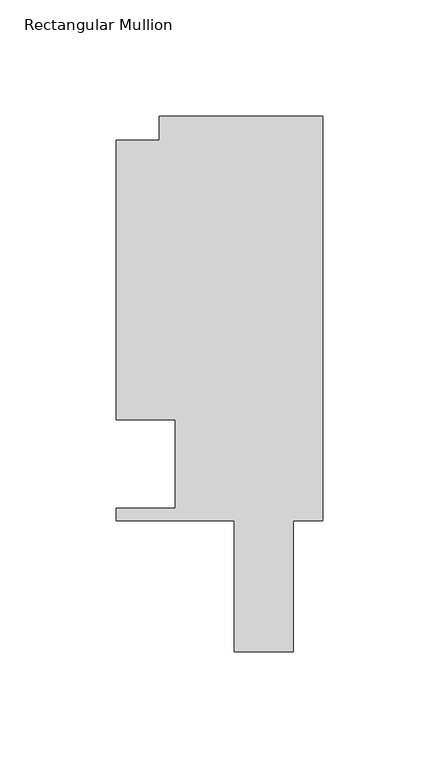
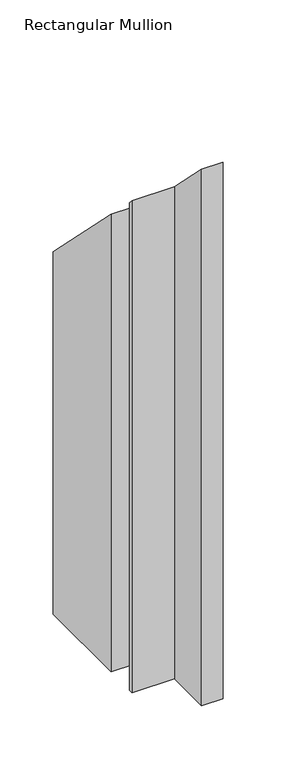
"""IFC4 building model written with IfcOpenShell, lengths in millimetres: member geometry, Rectangular Mullion."""

from ifc_helpers import new_model, si_unit, origin, place, context, project, spatial, faceted_brep, source, transform, mapped, element, save


def rectangular_mullion_d28f67f6(model_context):
    return source(origin(), model_context, "Body", "Brep", [
        faceted_brep([(0.0, 162.3059961, -610.098475), (0.0, -11.684, -610.098475), (-12.704103, -11.684, -610.098475), (-12.704103, -68.072, -610.098475), (-38.1131928, -68.072, -610.098475), (-38.1131928, -11.684, -610.098475), (-88.9131928, -11.684, -610.098475), (-88.9131928, -6.35, -610.098475), (-63.5131928, -6.35, -610.098475), (-63.5131928, 31.75, -610.098475), (-88.9131928, 31.75, -610.098475), (-88.9131928, 151.892, -610.098475), (-70.395709, 151.892, -610.098475), (-70.395709, 162.3059961, -610.098475), (-70.395709, 162.3059961, -162.3059961), (0.0, 162.3059961, -162.3059961), (-70.395709, 151.892, -151.892), (-88.9131928, 151.892, -151.892), (-88.9131928, 31.75, -31.75), (-63.5131928, 31.75, -31.75), (-63.5131928, -6.35, 6.35), (-88.9131928, -6.35, 6.35), (-88.9131928, -11.684, 11.684), (-38.1131928, -11.684, 11.684), (-38.1131928, -68.072, 68.072), (-12.704103, -68.072, 68.072), (-12.704103, -11.684, 11.684), (0.0, -11.684, 11.684)], [[[0, 1, 2, 3, 4, 5, 6, 7, 8, 9, 10, 11, 12, 13]], [[14, 15, 0, 13]], [[16, 14, 13, 12]], [[17, 16, 12, 11]], [[18, 17, 11, 10]], [[19, 18, 10, 9]], [[20, 19, 9, 8]], [[21, 20, 8, 7]], [[22, 21, 7, 6]], [[23, 22, 6, 5]], [[24, 23, 5, 4]], [[25, 24, 4, 3]], [[26, 25, 3, 2]], [[27, 26, 2, 1]], [[15, 27, 1, 0]], [[15, 14, 16, 17, 18, 19, 20, 21, 22, 23, 24, 25, 26, 27]]]),
    ])


if __name__ == "__main__":
    model = new_model("IFC4")
    model_context = context("Model", 3, world=origin())
    ifc_project = project(units=[si_unit("LENGTHUNIT", "METRE", prefix="MILLI")], contexts=[model_context])
    site = spatial("IfcSite", under=ifc_project)
    building = spatial("IfcBuilding", under=site)
    placement = place(None, origin())
    rectangular_mullion_shape = rectangular_mullion_d28f67f6(model_context)
    element("IfcMember", 1, ObjectType="Rectangular Mullion", at=placement, inside=building, context=model_context, shape_type="MappedRepresentation", body=[
        mapped(rectangular_mullion_shape, transform((0.0, 0.0, 0.0), x_axis=(1.0, 0.0, 0.0), y_axis=(0.0, 1.0, 0.0), z_axis=(0.0, 0.0, 1.0))),
    ])
    save(model, "model.ifc")
